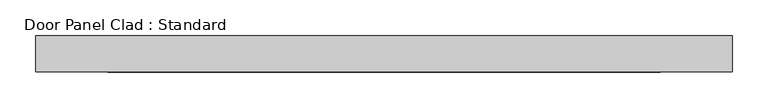
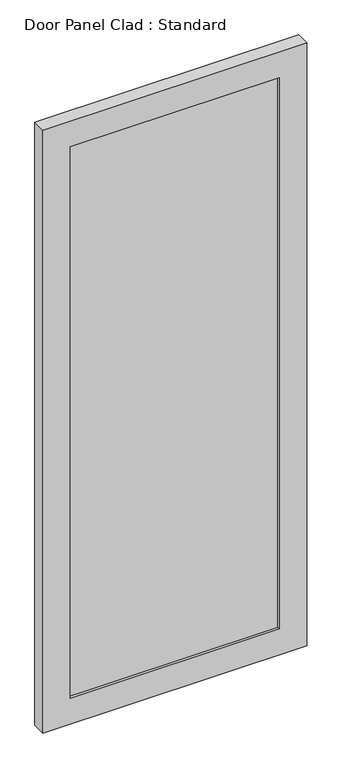
"""IFC4 building model written with IfcOpenShell, lengths in millimetres: proxy geometry, Door Panel Clad : Standard."""

from ifc_helpers import new_model, si_unit, frame, origin, place, context, project, spatial, polyline, outline, extrude, faceted_brep, source, transform, mapped, element, save


def door_panel_clad_standard_f208cf46(model_context):
    return source(origin(), model_context, "Body", "SolidModel", [
        faceted_brep([(-486.3041667, 25.4, 2363.7875), (486.3041667, 25.4, 2363.7875), (486.3041667, 12.0054688, 2363.7875), (-486.3041667, 12.0054688, 2363.7875), (-489.4791667, 25.4, 2366.9625), (-489.4791667, -25.4, 2366.9625), (489.4791667, -25.4, 2366.9625), (489.4791667, 25.4, 2366.9625), (486.3041667, 25.4, 4.7625), (486.3041667, 12.0054688, 4.7625), (489.4791667, -25.4, 1.5875), (489.4791667, 25.4, 1.5875), (-486.3041667, 25.4, 4.7625), (-486.3041667, 12.0054688, 4.7625), (-489.4791667, -25.4, 1.5875), (-489.4791667, 25.4, 1.5875), (387.8791667, 12.0054688, 2265.3625), (-387.8791667, 12.0054688, 2265.3625), (-387.8791667, 12.0054688, 103.1875), (387.8791667, 12.0054688, 103.1875), (387.8791667, -25.4, 2265.3625), (387.8791667, -25.4, 103.1875), (-387.8791667, -25.4, 103.1875), (-387.8791667, -25.4, 2265.3625)], [[[0, 1, 2, 3]], [[4, 5, 6, 7]], [[1, 8, 9, 2]], [[6, 10, 11, 7]], [[8, 12, 13, 9]], [[10, 14, 15, 11]], [[3, 13, 12, 0]], [[7, 11, 15, 4], [0, 12, 8, 1]], [[4, 15, 14, 5]], [[2, 9, 13, 3], [16, 17, 18, 19]], [[6, 5, 14, 10], [20, 21, 22, 23]], [[19, 21, 20, 16]], [[18, 22, 21, 19]], [[17, 23, 22, 18]], [[16, 20, 23, 17]]]),
        extrude(outline(polyline([(387.8791667, 15.875), (387.8791667, 12.0054688), (-387.8791667, 12.0054688), (-387.8791667, 15.875), (387.8791667, 15.875)])), frame((0.0, 0.0, 103.1875), z_axis=(0.0, 0.0, 1.0), x_axis=(1.0, 0.0, 0.0)), (0.0, 0.0, 1.0), 2162.175),
        extrude(outline(polyline([(387.8791667, -12.0054687), (387.8791667, -15.875), (-387.8791667, -15.875), (-387.8791667, -12.0054687), (387.8791667, -12.0054687)])), frame((0.0, 0.0, 103.1875), z_axis=(0.0, 0.0, 1.0), x_axis=(1.0, 0.0, 0.0)), (0.0, 0.0, 1.0), 2162.175),
        extrude(outline(polyline([(2363.7875, 486.3041667), (2363.7875, -486.3041667), (4.7625, -486.3041667), (4.7625, 486.3041667), (2363.7875, 486.3041667)]), holes=[polyline([(2265.3625, 387.8791667), (103.1875, 387.8791667), (103.1875, -387.8791667), (2265.3625, -387.8791667), (2265.3625, 387.8791667)])]), frame((0.0, 12.0054688, 0.0), z_axis=(0.0, 1.0, 0.0), x_axis=(0.0, 0.0, 1.0)), (0.0, 0.0, 1.0), 13.3945312),
    ])


if __name__ == "__main__":
    model = new_model("IFC4")
    model_context = context("Model", 3, world=origin())
    ifc_project = project(units=[si_unit("LENGTHUNIT", "METRE", prefix="MILLI")], contexts=[model_context])
    site = spatial("IfcSite", under=ifc_project)
    building = spatial("IfcBuilding", under=site)
    placement = place(None, origin())
    door_panel_clad_standard_shape = door_panel_clad_standard_f208cf46(model_context)
    element("IfcBuildingElementProxy", 1, Name="Door Panel Clad : Standard", ObjectType="Door Panel Clad : Standard", at=placement, inside=building, context=model_context, shape_type="MappedRepresentation", body=[
        mapped(door_panel_clad_standard_shape, transform((0.0, 0.0, 0.0), x_axis=(1.0, 0.0, 0.0), y_axis=(0.0, 1.0, 0.0), z_axis=(0.0, 0.0, 1.0))),
    ])
    save(model, "model.ifc")
